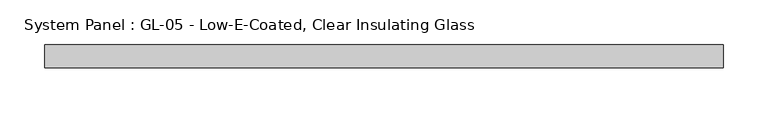
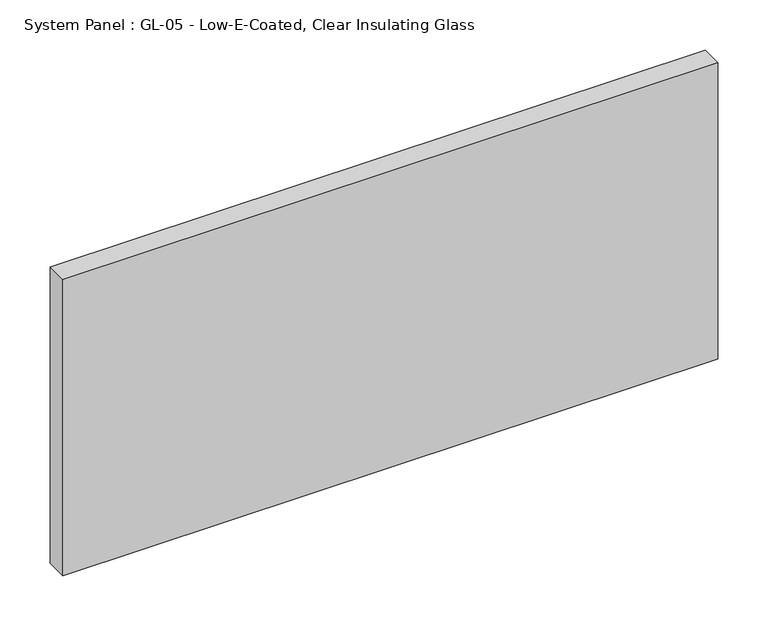
"""IFC4 building model written with IfcOpenShell, lengths in millimetres: plate geometry, System Panel : GL-05 - Low-E-Coated, Clear Insulating Glass."""

from ifc_helpers import new_model, si_unit, origin, origin_with_axes, place, context, project, spatial, polyline, outline, extrude, source, transform, mapped, element, save


def system_panel_gl_05_low_e_coated_clear_insulating_glass_ce93e5a1(model_context):
    return source(origin(), model_context, "Body", "SweptSolid", [
        extrude(outline(polyline([(378.1838767, -12.7), (-378.1838767, -12.7), (-378.1838767, 12.7), (378.1838767, 12.7), (378.1838767, -12.7)])), origin_with_axes(), (0.0, 0.0, 1.0), 361.95),
    ])


if __name__ == "__main__":
    model = new_model("IFC4")
    model_context = context("Model", 3, world=origin())
    ifc_project = project(units=[si_unit("LENGTHUNIT", "METRE", prefix="MILLI")], contexts=[model_context])
    site = spatial("IfcSite", under=ifc_project)
    building = spatial("IfcBuilding", under=site)
    placement = place(None, origin())
    system_panel_gl_05_low_e_coated_clear_insulating_glass_shape = system_panel_gl_05_low_e_coated_clear_insulating_glass_ce93e5a1(model_context)
    element("IfcPlate", 1, ObjectType="System Panel : GL-05 - Low-E-Coated, Clear Insulating Glass", at=placement, inside=building, context=model_context, shape_type="MappedRepresentation", body=[
        mapped(system_panel_gl_05_low_e_coated_clear_insulating_glass_shape, transform((0.0, 0.0, 0.0), x_axis=(1.0, 0.0, 0.0), y_axis=(0.0, 1.0, 0.0), z_axis=(0.0, 0.0, 1.0))),
    ])
    save(model, "model.ifc")
